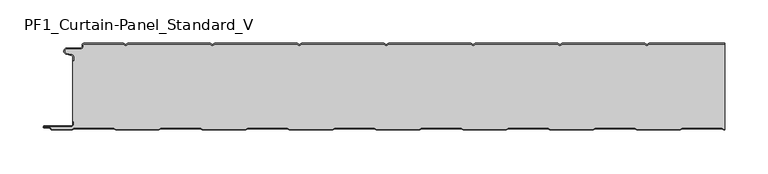
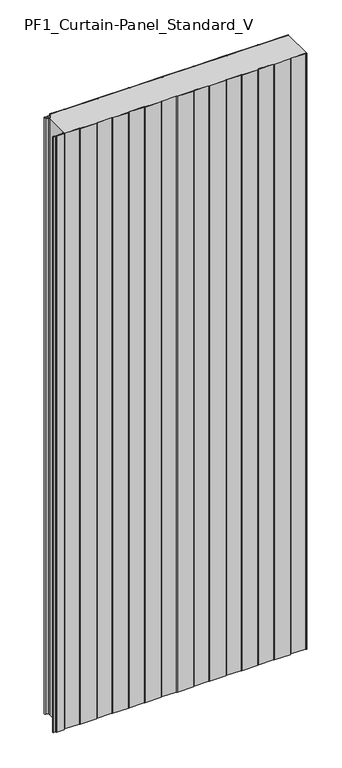
"""IFC4 building model written with IfcOpenShell, lengths in millimetres: plate geometry, PF1_Curtain-Panel_Standard_V."""

from ifc_helpers import new_model, si_unit, point, frame_2d, origin, origin_with_axes, place, context, project, spatial, polyline, circle_curve, trimmed, segment, composite_curve, outline, extrude, source, transform, mapped, element, save


def pf1_curtain_panel_standard_v_e95a77fd(model_context):
    return source(origin(), model_context, "Body", "SweptSolid", [
        extrude(outline(composite_curve([segment(trimmed(circle_curve(frame_2d((-377.0119739, -15.878557)), 2.0), [point((-375.0119739, -15.878557))], [point((-376.5620718, -13.9298169))], True, "CARTESIAN"), True, "CONTINUOUS"), segment(polyline([(-376.5620718, -13.9298169), (-382.7217978, -12.507732)]), True, "CONTINUOUS"), segment(trimmed(circle_curve(frame_2d((-381.9119739, -9.0)), 3.6), [point((-382.7217978, -12.507732))], [point((-381.9119739, -5.4))], False, "CARTESIAN"), True, "CONTINUOUS"), segment(polyline([(-381.9119739, -5.4), (-366.4119739, -5.4)]), True, "CONTINUOUS"), segment(trimmed(circle_curve(frame_2d((-366.4119739, -3.4)), 2.0), [point((-366.4119739, -5.4))], [point((-364.4119739, -3.4))], True, "CARTESIAN"), True, "CONTINUOUS"), segment(polyline([(-364.4119739, -3.4), (-364.4119739, -2.0)]), True, "CONTINUOUS"), segment(trimmed(circle_curve(frame_2d((-362.4119739, -2.0)), 2.0), [point((-364.4119739, -2.0))], [point((-362.4119739, 0.0))], False, "CARTESIAN"), True, "CONTINUOUS"), segment(polyline([(-362.4119739, 0.0), (-317.1119734, 0.0), (-314.4119739, -1.5588455), (-311.7119745, 0.0), (-217.1119734, 0.0), (-214.4119739, -1.5588455), (-211.7119745, 0.0), (-117.1119734, 0.0), (-114.4119739, -1.5588455), (-111.7119745, 0.0), (-17.1119734, 0.0), (-14.4119739, -1.5588455), (-11.7119745, 0.0), (82.8880266, 0.0), (85.5880261, -1.5588455), (88.2880255, 0.0), (182.8880266, 0.0), (185.5880261, -1.5588455), (188.2880255, 0.0), (282.8880266, 0.0), (285.5880261, -1.5588455), (288.2880255, 0.0), (375.0119739, 0.0), (375.0119739, -0.8), (288.5023849, -0.8), (285.5880261, -2.482606), (282.6736672, -0.8), (188.5023849, -0.8), (185.5880261, -2.482606), (182.6736672, -0.8), (88.5023849, -0.8), (85.5880261, -2.482606), (82.6736672, -0.8), (-11.4976151, -0.8), (-14.4119739, -2.482606), (-17.3263328, -0.8), (-111.4976151, -0.8), (-114.4119739, -2.482606), (-117.3263328, -0.8), (-211.4976151, -0.8), (-214.4119739, -2.482606), (-217.3263328, -0.8), (-311.4976151, -0.8), (-314.4119739, -2.482606), (-317.3263328, -0.8), (-362.4119739, -0.8)]), True, "CONTINUOUS"), segment(trimmed(circle_curve(frame_2d((-362.4119739, -2.0)), 1.2), [point((-362.4119739, -0.8))], [point((-363.6119739, -2.0))], True, "CARTESIAN"), True, "CONTINUOUS"), segment(polyline([(-363.6119739, -2.0), (-363.6119739, -3.4)]), True, "CONTINUOUS"), segment(trimmed(circle_curve(frame_2d((-366.4119739, -3.4)), 2.8), [point((-363.6119739, -3.4))], [point((-366.4119739, -6.2))], False, "CARTESIAN"), True, "CONTINUOUS"), segment(polyline([(-366.4119739, -6.2), (-381.9119739, -6.2)]), True, "CONTINUOUS"), segment(trimmed(circle_curve(frame_2d((-381.9119739, -9.0)), 2.8), [point((-381.9119739, -6.2))], [point((-382.541837, -11.7282362))], True, "CARTESIAN"), True, "CONTINUOUS"), segment(polyline([(-382.541837, -11.7282362), (-376.3821109, -13.150321)]), True, "CONTINUOUS"), segment(trimmed(circle_curve(frame_2d((-377.0119739, -15.878557)), 2.8), [point((-376.3821109, -13.150321))], [point((-374.2119739, -15.878557))], False, "CARTESIAN"), True, "CONTINUOUS"), segment(polyline([(-374.2119739, -15.878557), (-374.2119739, -20.0), (-375.0119739, -20.0), (-375.0119739, -15.878557)]), True, "CONTINUOUS")], self_intersect=False)), origin_with_axes(), (0.0, 0.0, 1.0), 1945.7507136),
        extrude(outline(composite_curve([segment(polyline([(-374.2119739, -90.0), (-375.0119739, -90.0), (-375.0119739, -20.0), (-374.2119739, -20.0), (-374.2119739, -15.878557)]), True, "CONTINUOUS"), segment(trimmed(circle_curve(frame_2d((-377.0119739, -15.878557)), 2.8), [point((-374.2119739, -15.878557))], [point((-376.3821109, -13.1503208))], True, "CARTESIAN"), True, "CONTINUOUS"), segment(polyline([(-376.3821109, -13.1503208), (-382.5418369, -11.7282362)]), True, "CONTINUOUS"), segment(trimmed(circle_curve(frame_2d((-381.9119739, -9.0)), 2.8), [point((-382.5418369, -11.7282362))], [point((-381.9119739, -6.2))], False, "CARTESIAN"), True, "CONTINUOUS"), segment(polyline([(-381.9119739, -6.2), (-366.4119739, -6.2)]), True, "CONTINUOUS"), segment(trimmed(circle_curve(frame_2d((-366.4119739, -3.4)), 2.8), [point((-366.4119739, -6.2))], [point((-363.6119739, -3.4))], True, "CARTESIAN"), True, "CONTINUOUS"), segment(polyline([(-363.6119739, -3.4), (-363.6119739, -2.0)]), True, "CONTINUOUS"), segment(trimmed(circle_curve(frame_2d((-362.4119739, -2.0)), 1.2), [point((-363.6119739, -2.0))], [point((-362.4119739, -0.8))], False, "CARTESIAN"), True, "CONTINUOUS"), segment(polyline([(-362.4119739, -0.8), (-317.3263328, -0.8), (-314.4119739, -2.482606), (-311.4976151, -0.8), (-217.3263328, -0.8), (-214.4119739, -2.482606), (-211.4976151, -0.8), (-117.3263328, -0.8), (-114.4119739, -2.482606), (-111.4976151, -0.8), (-17.3263328, -0.8), (-14.4119739, -2.482606), (-11.4976151, -0.8), (82.6736672, -0.8), (85.5880261, -2.482606), (88.5023849, -0.8), (182.6736672, -0.8), (185.5880261, -2.482606), (188.5023849, -0.8), (282.6736672, -0.8), (285.5880261, -2.482606), (288.5023849, -0.8), (375.0119739, -0.8), (375.0119739, -99.2), (374.2032822, -99.2), (371.6052046, -97.7), (326.3764885, -97.7), (323.7784109, -99.2), (274.2032822, -99.2), (271.6052046, -97.7), (226.3764885, -97.7), (223.7784109, -99.2), (174.2032822, -99.2), (171.6052046, -97.7), (126.3764885, -97.7), (123.7784109, -99.2), (74.2032822, -99.2), (71.6052046, -97.7), (26.3764885, -97.7), (23.7784109, -99.2), (-25.7967178, -99.2), (-28.3947954, -97.7), (-73.6235115, -97.7), (-76.2215891, -99.2), (-125.7967178, -99.2), (-128.3947954, -97.7), (-173.6235115, -97.7), (-176.2215891, -99.2), (-225.7967178, -99.2), (-228.3947954, -97.7), (-273.6235115, -97.7), (-276.2215891, -99.2), (-325.7967178, -99.2), (-328.3947954, -97.7), (-373.6235115, -97.7), (-376.2215891, -99.2), (-399.4119739, -99.2)]), True, "CONTINUOUS"), segment(trimmed(circle_curve(frame_2d((-399.4119739, -98.4)), 0.8), [point((-399.4119739, -99.2))], [point((-400.2119739, -98.4))], False, "CARTESIAN"), True, "CONTINUOUS"), segment(trimmed(circle_curve(frame_2d((-401.9119739, -98.6133333)), 1.7133333), [point((-400.2119739, -98.4))], [point((-401.9119739, -96.9))], True, "CARTESIAN"), True, "CONTINUOUS"), segment(polyline([(-401.9119739, -96.9), (-407.8820051, -96.9)]), True, "CONTINUOUS"), segment(trimmed(circle_curve(frame_2d((-407.8820051, -96.6)), 0.3), [point((-407.8820051, -96.9))], [point((-407.8820051, -96.3))], False, "CARTESIAN"), True, "CONTINUOUS"), segment(polyline([(-407.8820051, -96.3), (-377.0119739, -96.3)]), True, "CONTINUOUS"), segment(trimmed(circle_curve(frame_2d((-377.0119739, -93.5)), 2.8), [point((-377.0119739, -96.3))], [point((-374.2119739, -93.5))], True, "CARTESIAN"), True, "CONTINUOUS"), segment(polyline([(-374.2119739, -93.5), (-374.2119739, -90.0)]), True, "CONTINUOUS")], self_intersect=False)), origin_with_axes(), (0.0, 0.0, 1.0), 1945.7507136),
        extrude(outline(composite_curve([segment(polyline([(-375.0119739, -90.0), (-374.2119739, -90.0), (-374.2119739, -93.5)]), True, "CONTINUOUS"), segment(trimmed(circle_curve(frame_2d((-377.0119739, -93.5)), 2.8), [point((-374.2119739, -93.5))], [point((-377.0119739, -96.3))], False, "CARTESIAN"), True, "CONTINUOUS"), segment(polyline([(-377.0119739, -96.3), (-407.8820051, -96.3)]), True, "CONTINUOUS"), segment(trimmed(circle_curve(frame_2d((-407.8820051, -96.6)), 0.3), [point((-407.8820051, -96.3))], [point((-407.8820051, -96.9))], True, "CARTESIAN"), True, "CONTINUOUS"), segment(polyline([(-407.8820051, -96.9), (-401.9119739, -96.9)]), True, "CONTINUOUS"), segment(trimmed(circle_curve(frame_2d((-401.9119739, -98.6133333)), 1.7133333), [point((-401.9119739, -96.9))], [point((-400.2119739, -98.4))], False, "CARTESIAN"), True, "CONTINUOUS"), segment(trimmed(circle_curve(frame_2d((-399.4119739, -98.4)), 0.8), [point((-400.2119739, -98.4))], [point((-399.4119739, -99.2))], True, "CARTESIAN"), True, "CONTINUOUS"), segment(polyline([(-399.4119739, -99.2), (-376.2215891, -99.2), (-373.6235115, -97.7), (-328.3947954, -97.7), (-325.7967178, -99.2), (-276.2215891, -99.2), (-273.6235115, -97.7), (-228.3947954, -97.7), (-225.7967178, -99.2), (-176.2215891, -99.2), (-173.6235115, -97.7), (-128.3947954, -97.7), (-125.7967178, -99.2), (-76.2215891, -99.2), (-73.6235115, -97.7), (-28.3947954, -97.7), (-25.7967178, -99.2), (23.7784109, -99.2), (26.3764885, -97.7), (71.6052046, -97.7), (74.2032822, -99.2), (123.7784109, -99.2), (126.3764885, -97.7), (171.6052046, -97.7), (174.2032822, -99.2), (223.7784109, -99.2), (226.3764885, -97.7), (271.6052046, -97.7), (274.2032822, -99.2), (323.7784109, -99.2), (326.3764885, -97.7), (371.6052046, -97.7), (374.2032822, -99.2), (375.0119739, -99.2), (375.0119739, -100.0), (373.988923, -100.0), (371.3908454, -98.5), (326.5908477, -98.5), (323.9927701, -100.0), (273.988923, -100.0), (271.3908454, -98.5), (226.5908477, -98.5), (223.9927701, -100.0), (173.988923, -100.0), (171.3908454, -98.5), (126.5908477, -98.5), (123.9927701, -100.0), (73.988923, -100.0), (71.3908454, -98.5), (26.5908477, -98.5), (23.9927701, -100.0), (-26.011077, -100.0), (-28.6091546, -98.5), (-73.4091523, -98.5), (-76.0072299, -100.0), (-126.011077, -100.0), (-128.6091546, -98.5), (-173.4091523, -98.5), (-176.0072299, -100.0), (-226.011077, -100.0), (-228.6091546, -98.5), (-273.4091523, -98.5), (-276.0072299, -100.0), (-326.011077, -100.0), (-328.6091546, -98.5), (-373.4091523, -98.5), (-376.0072299, -100.0), (-399.4119739, -100.0)]), True, "CONTINUOUS"), segment(trimmed(circle_curve(frame_2d((-399.4119739, -98.4)), 1.6), [point((-399.4119739, -100.0))], [point((-401.0119739, -98.4))], False, "CARTESIAN"), True, "CONTINUOUS"), segment(trimmed(circle_curve(frame_2d((-401.9119739, -98.4)), 0.9), [point((-401.0119739, -98.4))], [point((-401.9119739, -97.5))], True, "CARTESIAN"), True, "CONTINUOUS"), segment(polyline([(-401.9119739, -97.5), (-408.0119739, -97.5)]), True, "CONTINUOUS"), segment(trimmed(circle_curve(frame_2d((-408.0119739, -96.5)), 1.0), [point((-408.0119739, -97.5))], [point((-408.0119739, -95.5))], False, "CARTESIAN"), True, "CONTINUOUS"), segment(polyline([(-408.0119739, -95.5), (-377.0119739, -95.5)]), True, "CONTINUOUS"), segment(trimmed(circle_curve(frame_2d((-377.0119739, -93.5)), 2.0), [point((-377.0119739, -95.5))], [point((-375.0119739, -93.5))], True, "CARTESIAN"), True, "CONTINUOUS"), segment(polyline([(-375.0119739, -93.5), (-375.0119739, -90.0)]), True, "CONTINUOUS")], self_intersect=False)), origin_with_axes(), (0.0, 0.0, 1.0), 1945.7507136),
    ])


if __name__ == "__main__":
    model = new_model("IFC4")
    model_context = context("Model", 3, world=origin())
    ifc_project = project(units=[si_unit("LENGTHUNIT", "METRE", prefix="MILLI")], contexts=[model_context])
    site = spatial("IfcSite", under=ifc_project)
    building = spatial("IfcBuilding", under=site)
    placement = place(None, origin())
    pf1_curtain_panel_standard_v_shape = pf1_curtain_panel_standard_v_e95a77fd(model_context)
    element("IfcPlate", 1, ObjectType="PF1_Curtain-Panel_Standard_V", at=placement, inside=building, context=model_context, shape_type="MappedRepresentation", body=[
        mapped(pf1_curtain_panel_standard_v_shape, transform((0.0, 0.0, 0.0), x_axis=(1.0, 0.0, 0.0), y_axis=(0.0, 1.0, 0.0), z_axis=(0.0, 0.0, 1.0))),
    ])
    save(model, "model.ifc")
